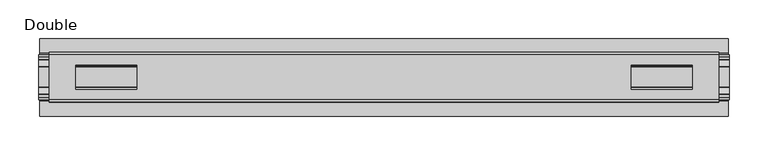
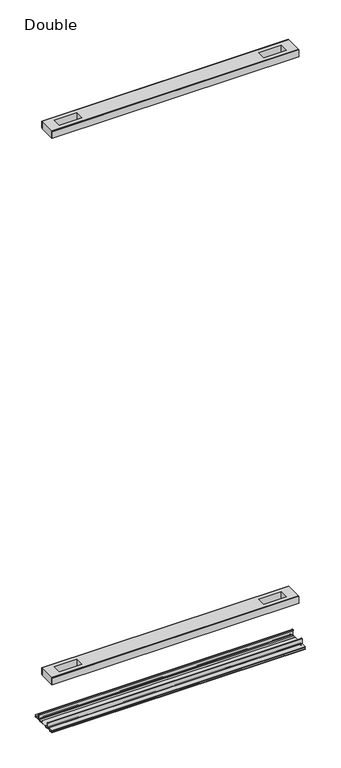
"""IFC4 building model written with IfcOpenShell, lengths in millimetres: proxy geometry, Double."""

from ifc_helpers import new_model, si_unit, point, frame, frame_2d, origin, place, context, project, spatial, polyline, circle_curve, trimmed, segment, composite_curve, outline, extrude, source, transform, mapped, element, save


def double_e954f4bd(model_context):
    return source(origin(), model_context, "Body", "SweptSolid", [
        extrude(outline(polyline([(434.0726254, -29.0068005), (434.0726254, -32.1817997), (-434.0726254, -32.1817997), (-434.0726254, -29.0068005), (434.0726254, -29.0068005)])), frame((0.0, 0.0, 2186.2851593), z_axis=(0.0, 0.0, 1.0), x_axis=(1.0, 0.0, 0.0)), (0.0, 0.0, 1.0), 25.3999939),
        extrude(outline(polyline([(434.0726254, 32.1817997), (434.0726254, 29.0068005), (-434.0726254, 29.0068005), (-434.0726254, 32.1817997), (434.0726254, 32.1817997)])), frame((0.0, 0.0, 2186.2851593), z_axis=(0.0, 0.0, 1.0), x_axis=(1.0, 0.0, 0.0)), (0.0, 0.0, 1.0), 25.3999939),
        extrude(outline(polyline([(434.0726254, 29.0068005), (434.0726254, -29.0068005), (-434.0726254, -29.0068005), (-434.0726254, 29.0068005), (434.0726254, 29.0068005)]), holes=[polyline([(399.6556128, 15.1130038), (320.610801, 15.1130038), (320.610801, -15.875003), (399.6556128, -15.875003), (399.6556128, 15.1130038)]), polyline([(-399.6556128, 15.1130038), (-399.6556128, -15.875003), (-320.610801, -15.875003), (-320.610801, 15.1130038), (-399.6556128, 15.1130038)])]), frame((0.0, 0.0, 2184.9851569), z_axis=(0.0, 0.0, 1.0), x_axis=(1.0, 0.0, 0.0)), (0.0, 0.0, 1.0), 27.9999988),
        extrude(outline(polyline([(434.0726254, -29.0068005), (434.0726254, -32.1817997), (-434.0726254, -32.1817997), (-434.0726254, -29.0068005), (434.0726254, -29.0068005)])), frame((0.0, 0.0, 149.8401622), z_axis=(0.0, 0.0, 1.0), x_axis=(1.0, 0.0, 0.0)), (0.0, 0.0, 1.0), 25.3999939),
        extrude(outline(polyline([(434.0726254, 32.1817997), (434.0726254, 29.0068005), (-434.0726254, 29.0068005), (-434.0726254, 32.1817997), (434.0726254, 32.1817997)])), frame((0.0, 0.0, 149.8401622), z_axis=(0.0, 0.0, 1.0), x_axis=(1.0, 0.0, 0.0)), (0.0, 0.0, 1.0), 25.3999939),
        extrude(outline(polyline([(434.0726254, 29.0068005), (434.0726254, -29.0068005), (-434.0726254, -29.0068005), (-434.0726254, 29.0068005), (434.0726254, 29.0068005)]), holes=[polyline([(399.6556128, 15.1130038), (320.610801, 15.1130038), (320.610801, -15.875003), (399.6556128, -15.875003), (399.6556128, 15.1130038)]), polyline([(-399.6556128, 15.1130038), (-399.6556128, -15.875003), (-320.610801, -15.875003), (-320.610801, 15.1130038), (-399.6556128, 15.1130038)])]), frame((0.0, 0.0, 148.4185847), z_axis=(0.0, 0.0, 1.0), x_axis=(1.0, 0.0, 0.0)), (0.0, 0.0, 1.0), 27.9999988),
        extrude(outline(composite_curve([segment(polyline([(-28.8162961, -7.7516037), (-28.8162961, 9.8607558)]), True, "CONTINUOUS"), segment(trimmed(circle_curve(frame_2d((-27.5970982, 9.8607558)), 1.2191979), [point((-28.8162961, 9.8607558))], [point((-26.3779003, 9.8607558))], False, "CARTESIAN"), True, "CONTINUOUS"), segment(polyline([(-26.3779003, 9.8607558), (-26.3779003, 5.9999563), (-27.6580769, 5.9999563), (-27.6580769, -7.7516037)]), True, "CONTINUOUS"), segment(trimmed(circle_curve(frame_2d((-26.6420561, -7.7516037)), 1.0160208), [point((-27.6580769, -7.7516037))], [point((-26.6485732, -8.7676036))], True, "CARTESIAN"), True, "CONTINUOUS"), segment(polyline([(-26.6485732, -8.7676036), (-22.7056226, -8.7676036), (-21.7922609, -8.968753)]), True, "CONTINUOUS"), segment(trimmed(circle_curve(frame_2d((-17.7673021, -6.1259382)), 4.9276657), [point((-21.7922609, -8.968753))], [point((-13.7423434, -8.968753))], True, "CARTESIAN"), True, "CONTINUOUS"), segment(polyline([(-13.7423434, -8.968753), (-12.8289726, -8.7676036), (13.2099722, -8.7676036), (14.123343, -8.968753)]), True, "CONTINUOUS"), segment(trimmed(circle_curve(frame_2d((18.1483018, -6.1259382)), 4.9276657), [point((14.123343, -8.968753))], [point((22.1732605, -8.968753))], True, "CARTESIAN"), True, "CONTINUOUS"), segment(polyline([(22.1732605, -8.968753), (23.0866222, -8.7676036), (27.0295728, -8.7676036)]), True, "CONTINUOUS"), segment(trimmed(circle_curve(frame_2d((27.0230557, -7.7516037)), 1.0160208), [point((27.0295728, -8.7676036))], [point((28.0390765, -7.7516037))], True, "CARTESIAN"), True, "CONTINUOUS"), segment(polyline([(28.0390765, -7.7516037), (28.0390765, 5.9999563), (26.7588999, 5.9999563), (26.7588999, 9.8607558)]), True, "CONTINUOUS"), segment(trimmed(circle_curve(frame_2d((27.9780978, 9.8607558)), 1.2191979), [point((26.7588999, 9.8607558))], [point((29.1972958, 9.8607558))], False, "CARTESIAN"), True, "CONTINUOUS"), segment(polyline([(29.1972958, 9.8607558), (29.1972958, -7.7516037)]), True, "CONTINUOUS"), segment(trimmed(circle_curve(frame_2d((27.0230557, -7.7516037)), 2.17424), [point((29.1972958, -7.7516037))], [point((27.0230557, -9.9258438))], False, "CARTESIAN"), True, "CONTINUOUS"), segment(polyline([(27.0230557, -9.9258438), (22.732069, -9.9258438)]), True, "CONTINUOUS"), segment(trimmed(circle_curve(frame_2d((18.1516545, -6.4800016)), 5.7318431), [point((22.732069, -9.9258438))], [point((13.57124, -9.9258438))], False, "CARTESIAN"), True, "CONTINUOUS"), segment(polyline([(13.57124, -9.9258438), (-13.1902404, -9.9258438)]), True, "CONTINUOUS"), segment(trimmed(circle_curve(frame_2d((-17.7706549, -6.4800016)), 5.7318431), [point((-13.1902404, -9.9258438))], [point((-22.3510694, -9.9258438))], False, "CARTESIAN"), True, "CONTINUOUS"), segment(polyline([(-22.3510694, -9.9258438), (-26.6420561, -9.9258438)]), True, "CONTINUOUS"), segment(trimmed(circle_curve(frame_2d((-26.6420561, -7.7516037)), 2.17424), [point((-26.6420561, -9.9258438))], [point((-28.8162961, -7.7516037))], False, "CARTESIAN"), True, "CONTINUOUS")], self_intersect=False)), frame((-448.1315163, 0.0, 0.0), z_axis=(1.0, 0.0, 0.0), x_axis=(0.0, 1.0, 0.0)), (0.0, 0.0, 1.0), 896.2630326),
        extrude(outline(composite_curve([segment(polyline([(-50.2668422, -13.9898438), (-50.2240211, -12.3388438), (-39.7827507, -12.3388438), (-39.7827507, -7.766844), (-50.2240211, -7.766844), (-50.2668422, -6.1158439), (-31.1784975, -6.1158439)]), True, "CONTINUOUS"), segment(trimmed(circle_curve(frame_2d((-31.1784975, -7.6398436)), 1.5239997), [point((-31.1784975, -6.1158439))], [point((-29.6544978, -7.6398436))], False, "CARTESIAN"), True, "CONTINUOUS"), segment(polyline([(-29.6544978, -7.6398436), (-29.6544978, -9.9258438), (-23.1058344, -9.9258438)]), True, "CONTINUOUS"), segment(trimmed(circle_curve(frame_2d((-17.7673021, -5.2268471)), 7.1119966), [point((-23.1058344, -9.9258438))], [point((-12.4287699, -9.9258438))], True, "CARTESIAN"), True, "CONTINUOUS"), segment(polyline([(-12.4287699, -9.9258438), (12.8097695, -9.9258438)]), True, "CONTINUOUS"), segment(trimmed(circle_curve(frame_2d((18.1483018, -5.2268471)), 7.1119966), [point((12.8097695, -9.9258438))], [point((23.486834, -9.9258438))], True, "CARTESIAN"), True, "CONTINUOUS"), segment(polyline([(23.486834, -9.9258438), (30.0354975, -9.9258438), (30.0354975, -7.7656583)]), True, "CONTINUOUS"), segment(trimmed(circle_curve(frame_2d((31.6864982, -7.7656583)), 1.6510007), [point((30.0354975, -7.7656583))], [point((31.6239218, -6.1158439))], False, "CARTESIAN"), True, "CONTINUOUS"), segment(polyline([(31.6239218, -6.1158439), (50.00625, -6.1158439), (50.00625, -7.766844), (40.1637503, -7.766844), (40.1637503, -12.3388438), (50.00625, -12.3388438), (50.00625, -13.9898438), (40.0367518, -13.9898438)]), True, "CONTINUOUS"), segment(trimmed(circle_curve(frame_2d((40.0367518, -12.4658438)), 1.524), [point((40.0367518, -13.9898438))], [point((38.5127519, -12.4658438))], False, "CARTESIAN"), True, "CONTINUOUS"), segment(polyline([(38.5127519, -12.4658438), (38.5127519, -7.766844), (31.686497, -7.766844), (31.686497, -10.0528438)]), True, "CONTINUOUS"), segment(trimmed(circle_curve(frame_2d((30.1624971, -10.0528438)), 1.524), [point((31.686497, -10.0528438))], [point((30.1624971, -11.5768438))], False, "CARTESIAN"), True, "CONTINUOUS"), segment(polyline([(30.1624971, -11.5768438), (23.6563549, -11.5768438)]), True, "CONTINUOUS"), segment(trimmed(circle_curve(frame_2d((18.1483018, -6.4968436)), 7.4930002), [point((23.6563549, -11.5768438))], [point((12.8904968, -11.8354331))], False, "CARTESIAN"), True, "CONTINUOUS"), segment(polyline([(12.8904968, -11.8354331), (-12.5094972, -11.8354331)]), True, "CONTINUOUS"), segment(trimmed(circle_curve(frame_2d((-17.7673021, -6.4968436)), 7.4930002), [point((-12.5094972, -11.8354331))], [point((-23.2753553, -11.5768438))], False, "CARTESIAN"), True, "CONTINUOUS"), segment(polyline([(-23.2753553, -11.5768438), (-29.7814974, -11.5768438)]), True, "CONTINUOUS"), segment(trimmed(circle_curve(frame_2d((-29.7814974, -10.0528438)), 1.524), [point((-29.7814974, -11.5768438))], [point((-31.3054974, -10.0528438))], False, "CARTESIAN"), True, "CONTINUOUS"), segment(polyline([(-31.3054974, -10.0528438), (-31.3054974, -7.766844), (-38.1317522, -7.766844), (-38.1317522, -12.4658438)]), True, "CONTINUOUS"), segment(trimmed(circle_curve(frame_2d((-39.6557522, -12.4658438)), 1.524), [point((-38.1317522, -12.4658438))], [point((-39.6557522, -13.9898438))], False, "CARTESIAN"), True, "CONTINUOUS"), segment(polyline([(-39.6557522, -13.9898438), (-50.2668422, -13.9898438)]), True, "CONTINUOUS")], self_intersect=False)), frame((-446.4805163, 0.0, 0.0), z_axis=(1.0, 0.0, 0.0), x_axis=(0.0, 1.0, 0.0)), (0.0, 0.0, 1.0), 892.9610326),
    ])


if __name__ == "__main__":
    model = new_model("IFC4")
    model_context = context("Model", 3, world=origin())
    ifc_project = project(units=[si_unit("LENGTHUNIT", "METRE", prefix="MILLI")], contexts=[model_context])
    site = spatial("IfcSite", under=ifc_project)
    building = spatial("IfcBuilding", under=site)
    placement = place(None, origin())
    double_shape = double_e954f4bd(model_context)
    element("IfcBuildingElementProxy", 1, Name="Double", ObjectType="Double", at=placement, inside=building, context=model_context, shape_type="MappedRepresentation", body=[
        mapped(double_shape, transform((0.0, 0.0, 0.0), x_axis=(1.0, 0.0, 0.0), y_axis=(0.0, 1.0, 0.0), z_axis=(0.0, 0.0, 1.0))),
    ])
    save(model, "model.ifc")
